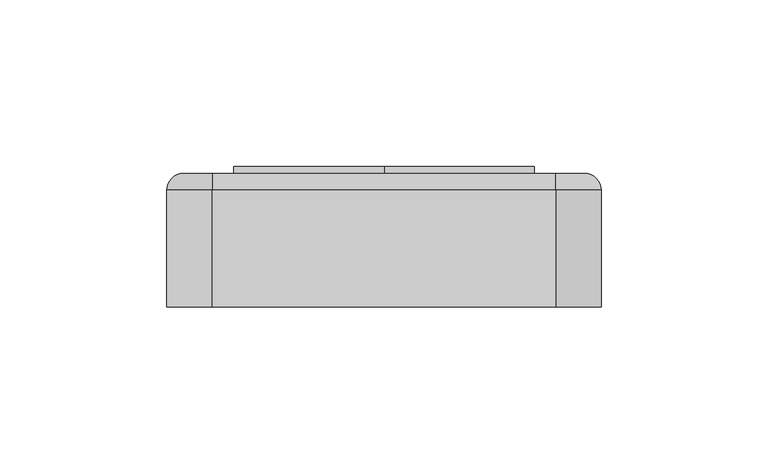
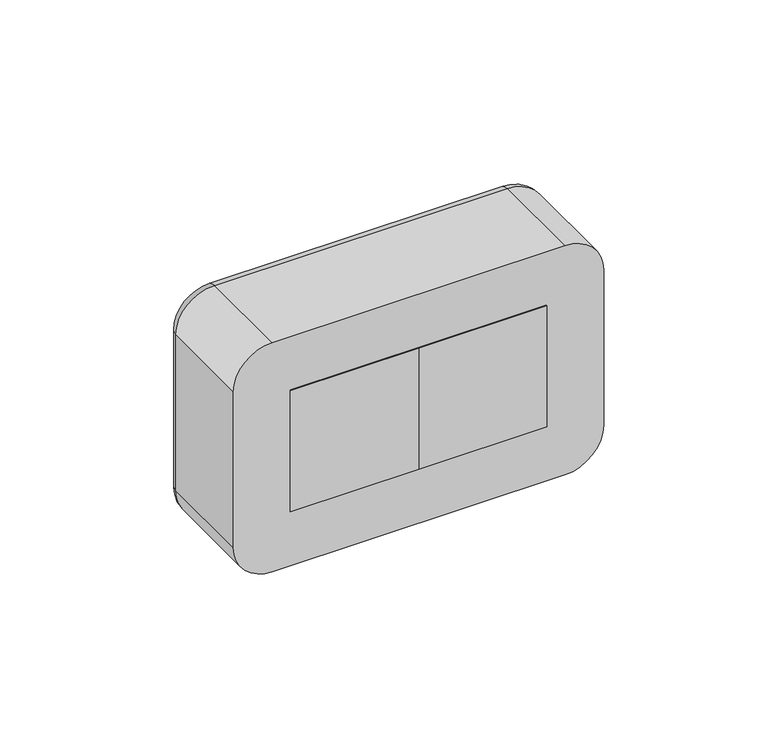
"""IFC4 building model written with IfcOpenShell, lengths in millimetres: proxy geometry."""

import ifcopenshell
import ifcopenshell.guid

model = None  # the IFC model being written
_history = None  # IfcOwnerHistory: only IFC2X3 demands one
_inside = {}  # id of a spatial element -> (the spatial element, [elements in it])
_under = {}  # id of a project, library or spatial element -> (it, [spatial elements below it])
_declared = {}  # id of a project -> (the project, [libraries it declares])
_typed = {}  # id of a type object -> (the type object, [elements of that type])
_made_of = {}  # id of a material, layer set ... -> (it, [elements and type objects made of it])


def new_model(schema):
    """Start an empty IFC model of exactly this schema.

    Asked for "IFC4X3", IfcOpenShell would pick the latest addendum, in which some entities
    have other attributes; the version numbers below select the first issue.
    IFC2X3 requires an IfcOwnerHistory on every rooted entity: one is made here for all.
    """
    global model, _history
    if schema == "IFC4X3":
        model = ifcopenshell.file(schema_version=(4, 3, 0, 0))
    else:
        model = ifcopenshell.file(schema=schema)
    _inside.clear()
    _under.clear()
    _declared.clear()
    _typed.clear()
    _made_of.clear()
    _history = None
    if model.schema == "IFC2X3":
        org = make("IfcOrganization", Name="unknown")
        user = make(
            "IfcPersonAndOrganization",
            ThePerson=make("IfcPerson", FamilyName="unknown"),
            TheOrganization=org,
        )
        app = make(
            "IfcApplication",
            ApplicationDeveloper=org,
            Version="unknown",
            ApplicationFullName="unknown",
            ApplicationIdentifier="unknown",
        )
        _history = make(
            "IfcOwnerHistory",
            OwningUser=user,
            OwningApplication=app,
            ChangeAction="ADDED",
            CreationDate=0,
        )
    return model


def make(cls, **values):
    """One entity of the class cls with the attributes given. An attribute that is None is left unset."""
    return model.create_entity(
        cls, **{name: value for name, value in values.items() if value is not None}
    )


def rooted(cls, **values):
    """An entity with a GlobalId (a new one), such as an element, a storey or a relation."""
    return make(cls, GlobalId=ifcopenshell.guid.new(), OwnerHistory=_history, **values)


def si_unit(unit_type, name, prefix=None):
    """IfcSIUnit, for example si_unit("LENGTHUNIT", "METRE", prefix="MILLI")."""
    return make("IfcSIUnit", UnitType=unit_type, Prefix=prefix, Name=name)


def assignment(units):
    """IfcUnitAssignment: the units of a project."""
    return None if units is None else make("IfcUnitAssignment", Units=units)


def point(xyz):
    """IfcCartesianPoint."""
    return None if xyz is None else make("IfcCartesianPoint", Coordinates=xyz)


def direction(xyz):
    """IfcDirection."""
    return None if xyz is None else make("IfcDirection", DirectionRatios=xyz)


def frame(location, z_axis=None, x_axis=None):
    """IfcAxis2Placement3D, a coordinate frame: its origin and axes. An axis left out is left unset."""
    return make(
        "IfcAxis2Placement3D",
        Location=point(location),
        Axis=direction(z_axis),
        RefDirection=direction(x_axis),
    )


def frame_2d(location, x_axis=None):
    """IfcAxis2Placement2D, a coordinate frame in the plane: its origin and x axis."""
    return make(
        "IfcAxis2Placement2D", Location=point(location), RefDirection=direction(x_axis)
    )


def origin():
    """The frame at (0, 0, 0) with its axes left unset."""
    return frame((0.0, 0.0, 0.0))


def place(relative_to, where):
    """IfcLocalPlacement: puts the frame where relative to a parent placement (None: the world)."""
    return make(
        "IfcLocalPlacement", PlacementRelTo=relative_to, RelativePlacement=where
    )


def context(
    kind, dimensions, precision=None, world=None, true_north=None, identifier=None
):
    """IfcGeometricRepresentationContext, for example the 3D "Model" context."""
    return make(
        "IfcGeometricRepresentationContext",
        ContextIdentifier=identifier,
        ContextType=kind,
        CoordinateSpaceDimension=dimensions,
        Precision=precision,
        WorldCoordinateSystem=world,
        TrueNorth=true_north,
    )


def project(units=None, contexts=None):
    """IfcProject with its units and contexts."""
    return rooted(
        "IfcProject",
        Name="project",
        RepresentationContexts=contexts,
        UnitsInContext=assignment(units),
    )


def spatial(cls, under=None, at=None, **own):
    """A site, building, storey or space (cls), placed at a placement, below another one or the project."""
    s = rooted(cls, ObjectPlacement=at, **own)
    if under is not None:
        _under.setdefault(under.id(), (under, []))[1].append(s)
    return s


def polyline(points):
    """IfcPolyline through the points."""
    return make("IfcPolyline", Points=[point(p) for p in points])


def circle_curve(where, radius):
    """IfcCircle in the frame where."""
    return make("IfcCircle", Position=where, Radius=radius)


def ellipse_curve(where, semi_axis1, semi_axis2):
    """IfcEllipse in the frame where."""
    return make(
        "IfcEllipse", Position=where, SemiAxis1=semi_axis1, SemiAxis2=semi_axis2
    )


def trimmed(basis, trim1, trim2, sense, master):
    """IfcTrimmedCurve: the piece of a basis curve between two trims."""
    return make(
        "IfcTrimmedCurve",
        BasisCurve=basis,
        Trim1=trim1,
        Trim2=trim2,
        SenseAgreement=sense,
        MasterRepresentation=master,
    )


def segment(curve, same_sense, transition):
    """IfcCompositeCurveSegment."""
    return make(
        "IfcCompositeCurveSegment",
        Transition=transition,
        SameSense=same_sense,
        ParentCurve=curve,
    )


def composite_curve(segments, self_intersect=None):
    """IfcCompositeCurve: segments joined end to end."""
    return make("IfcCompositeCurve", Segments=segments, SelfIntersect=self_intersect)


def outline(outer, holes=None, kind="AREA"):
    """IfcArbitraryClosedProfileDef: a profile drawn as a closed curve; with holes, ...WithVoids."""
    if holes is None:
        return make("IfcArbitraryClosedProfileDef", ProfileType=kind, OuterCurve=outer)
    return make(
        "IfcArbitraryProfileDefWithVoids",
        ProfileType=kind,
        OuterCurve=outer,
        InnerCurves=holes,
    )


def extrude(swept, where, along, depth):
    """IfcExtrudedAreaSolid: the profile swept, set in the frame where, extruded along a direction by depth."""
    return make(
        "IfcExtrudedAreaSolid",
        SweptArea=swept,
        Position=where,
        ExtrudedDirection=direction(along),
        Depth=depth,
    )


def shape(context_of_items, identifier, shape_type, items):
    """IfcShapeRepresentation: the items that make up one representation, for example the "Body"."""
    return make(
        "IfcShapeRepresentation",
        ContextOfItems=context_of_items,
        RepresentationIdentifier=identifier,
        RepresentationType=shape_type,
        Items=items,
    )


def source(mapping_origin, context_of_items, identifier, shape_type, items):
    """IfcRepresentationMap: a shape defined once, which mapped items show again and again."""
    return make(
        "IfcRepresentationMap",
        MappingOrigin=mapping_origin,
        MappedRepresentation=shape(context_of_items, identifier, shape_type, items),
    )


def transform(
    local_origin,
    x_axis=None,
    y_axis=None,
    z_axis=None,
    scale=None,
    scale2=None,
    scale3=None,
    uniform=True,
):
    """IfcCartesianTransformationOperator3D, or its non-uniform kind. x_axis, y_axis, z_axis: its Axis1, 2, 3."""
    if uniform:
        return make(
            "IfcCartesianTransformationOperator3D",
            Axis1=direction(x_axis),
            Axis2=direction(y_axis),
            LocalOrigin=point(local_origin),
            Scale=scale,
            Axis3=direction(z_axis),
        )
    return make(
        "IfcCartesianTransformationOperator3DnonUniform",
        Axis1=direction(x_axis),
        Axis2=direction(y_axis),
        LocalOrigin=point(local_origin),
        Scale=scale,
        Axis3=direction(z_axis),
        Scale2=scale2,
        Scale3=scale3,
    )


def mapped(mapping_source, mapping_target):
    """IfcMappedItem: shows the shape of a source again, moved by a transform."""
    return make(
        "IfcMappedItem", MappingSource=mapping_source, MappingTarget=mapping_target
    )


def made_of(thing, what):
    """Note that an element or type object is made of a material, layer set ...; save() writes the relation."""
    if what is not None:
        _made_of.setdefault(what.id(), (what, []))[1].append(thing)
    return thing


def element(
    cls,
    number,
    at=None,
    inside=None,
    cuts=None,
    type_object=None,
    material=None,
    context=None,
    identifier="Body",
    shape_type=None,
    held_by="IfcProductDefinitionShape",
    body=None,
    shapes=None,
    **own,
):
    """One element of the class cls, such as IfcWall. Its Tag is "e" and its number.

    at: its placement. inside: the storey or other place that contains it. cuts: it is an
    opening in that element (IfcRelVoidsElement). A single representation is given by context,
    identifier, shape_type and body (its items); several are given by shapes. held_by: the class
    of the entity that holds the representations. save() writes the other relations.
    """
    e = rooted(cls, Tag="e%d" % number, ObjectPlacement=at, **own)
    if body is not None:
        shapes = [shape(context, identifier, shape_type, body)]
    if shapes is not None:
        e.Representation = make(held_by, Representations=shapes)
    if inside is not None:
        _inside.setdefault(inside.id(), (inside, []))[1].append(e)
    if cuts is not None:
        rooted(
            "IfcRelVoidsElement", RelatingBuildingElement=cuts, RelatedOpeningElement=e
        )
    if type_object is not None:
        _typed.setdefault(type_object.id(), (type_object, []))[1].append(e)
    return made_of(e, material)


def aggregate(whole, parts):
    """IfcRelAggregates: a whole, such as a stair, and the parts it consists of."""
    return rooted("IfcRelAggregates", RelatingObject=whole, RelatedObjects=parts)


def save(model, path):
    """Write the relations noted so far, then the file.

    IfcRelAggregates (storeys below a building ...), IfcRelContainedInSpatialStructure (elements
    in a storey), IfcRelDefinesByType, IfcRelAssociatesMaterial and IfcRelDeclares: one each for
    every whole, place, type object, material and project.
    """
    for whole, parts in _under.values():
        aggregate(whole, parts)
    for where, things in _inside.values():
        rooted(
            "IfcRelContainedInSpatialStructure",
            RelatedElements=things,
            RelatingStructure=where,
        )
    for kind, things in _typed.values():
        rooted("IfcRelDefinesByType", RelatedObjects=things, RelatingType=kind)
    for what, things in _made_of.values():
        rooted("IfcRelAssociatesMaterial", RelatedObjects=things, RelatingMaterial=what)
    for by, libraries in _declared.values():
        rooted("IfcRelDeclares", RelatingContext=by, RelatedDefinitions=libraries)
    model.write(path)


def plane_surface(at):
    """IfcPlane: the flat surface through the origin of the frame at, square to its z axis."""
    return make("IfcPlane", Position=at)


def cylinder_surface(at, radius):
    """IfcCylindricalSurface: all points at the distance radius from the z axis of the frame at."""
    return make("IfcCylindricalSurface", Position=at, Radius=radius)


def revolved_surface(curve, axis_point, axis_direction):
    """IfcSurfaceOfRevolution: the curve turned about the line through axis_point along axis_direction."""
    return make(
        "IfcSurfaceOfRevolution",
        SweptCurve=make("IfcArbitraryOpenProfileDef", ProfileType="CURVE", Curve=curve),
        AxisPosition=make("IfcAxis1Placement", Location=point(axis_point), Axis=direction(axis_direction)),
    )


def advanced_brep(points, edges, surfaces, faces):
    """IfcAdvancedBrep: a solid bounded by faces that lie on surfaces and meet in shared edges.

    An edge is (start, end): straight between two places in points (the first is 0);
    or (start, end, curve); or (start, end, curve, False) where it runs against its curve.
    A face is (place in surfaces, loops), or (place, loops, False) where it looks against
    its surface's normal. A loop lists edges by number (the first is 1), with a minus sign
    where the edge is run from its end to its start. The first loop is the outer one.
    """
    corners = [point(p) for p in points]
    vertices = [make("IfcVertexPoint", VertexGeometry=c) for c in corners]
    made = []
    for start, end, *more in edges:
        made.append(
            make(
                "IfcEdgeCurve",
                EdgeStart=vertices[start],
                EdgeEnd=vertices[end],
                EdgeGeometry=more[0] if more else make("IfcPolyline", Points=[corners[start], corners[end]]),
                SameSense=more[1] if len(more) > 1 else True,
            )
        )
    hull = []
    for where, loops, *sense in faces:
        bounds = []
        for j, loop in enumerate(loops):
            ring = [make("IfcOrientedEdge", EdgeElement=made[abs(k) - 1], Orientation=k > 0) for k in loop]
            bounds.append(
                make(
                    "IfcFaceOuterBound" if j == 0 else "IfcFaceBound",
                    Bound=make("IfcEdgeLoop", EdgeList=ring),
                    Orientation=True,
                )
            )
        hull.append(make("IfcAdvancedFace", Bounds=bounds, FaceSurface=surfaces[where], SameSense=sense[0] if sense else True))
    return make("IfcAdvancedBrep", Outer=make("IfcClosedShell", CfsFaces=hull))


def electrical_fixtures_298b66da(model_context):
    return source(origin(), model_context, "Body", "SolidModel", [
        advanced_brep(
        [(0.0, 40.0, 22.5), (0.0, 40.0, -22.5), (-45.0, 40.0, -22.5), (-45.0, 40.0, 22.5), (-40.5, 40.0, 0.0), (-4.5, 40.0, 0.0), (0.0, 32.0, 22.5), (-45.0, 32.0, 22.5), (-45.0, 32.0, -22.5), (0.0, 32.0, -22.5), (-29.5, 32.0, 0.0), (-34.5, 32.0, 0.0), (-10.5, 32.0, 0.0), (-15.5, 32.0, 0.0), (-40.5, 33.0, 0.0), (-4.5, 33.0, 0.0), (-34.5, 33.0, 0.0), (-29.5, 33.0, 0.0), (-15.5, 33.0, 0.0), (-10.5, 33.0, 0.0)],
        [
            (0, 1),
            (1, 2),
            (2, 3),
            (3, 0),
            (4, 5, circle_curve(frame((-22.5, 40.0, 0.0), z_axis=(0.0, -1.0, 0.0), x_axis=(1.0, 0.0, 0.0)), 18.0)),
            (5, 4, circle_curve(frame((-22.5, 40.0, 0.0), z_axis=(0.0, -1.0, 0.0), x_axis=(1.0, 0.0, 0.0)), 18.0)),
            (6, 7),
            (7, 8),
            (8, 9),
            (9, 6),
            (10, 11, circle_curve(frame((-32.0, 32.0, 0.0), z_axis=(0.0, 1.0, 0.0), x_axis=(1.0, 0.0, 0.0)), 2.5)),
            (11, 10, circle_curve(frame((-32.0, 32.0, 0.0), z_axis=(0.0, 1.0, 0.0), x_axis=(1.0, 0.0, 0.0)), 2.5)),
            (12, 13, circle_curve(frame((-13.0, 32.0, 0.0), z_axis=(0.0, 1.0, 0.0), x_axis=(1.0, 0.0, 0.0)), 2.5)),
            (13, 12, circle_curve(frame((-13.0, 32.0, 0.0), z_axis=(0.0, 1.0, 0.0), x_axis=(1.0, 0.0, 0.0)), 2.5)),
            (3, 7),
            (6, 0),
            (2, 8),
            (1, 9),
            (14, 15, circle_curve(frame((-22.5, 33.0, 0.0), z_axis=(0.0, 1.0, 0.0), x_axis=(1.0, 0.0, 0.0)), 18.0)),
            (15, 14, circle_curve(frame((-22.5, 33.0, 0.0), z_axis=(0.0, 1.0, 0.0), x_axis=(1.0, 0.0, 0.0)), 18.0)),
            (16, 17, circle_curve(frame((-32.0, 33.0, 0.0), z_axis=(0.0, -1.0, 0.0), x_axis=(1.0, 0.0, 0.0)), 2.5)),
            (17, 16, circle_curve(frame((-32.0, 33.0, 0.0), z_axis=(0.0, -1.0, 0.0), x_axis=(1.0, 0.0, 0.0)), 2.5)),
            (18, 19, circle_curve(frame((-13.0, 33.0, 0.0), z_axis=(0.0, -1.0, 0.0), x_axis=(1.0, 0.0, 0.0)), 2.5)),
            (19, 18, circle_curve(frame((-13.0, 33.0, 0.0), z_axis=(0.0, -1.0, 0.0), x_axis=(1.0, 0.0, 0.0)), 2.5)),
            (15, 5),
            (4, 14),
            (10, 17),
            (16, 11),
            (12, 19),
            (18, 13),
        ],
        [
            plane_surface(frame((-61.5, 40.0, 22.5), z_axis=(0.0, 1.0, 0.0), x_axis=(1.0, 0.0, 0.0))),
            plane_surface(frame((-61.5, 32.0, 22.5), z_axis=(0.0, -1.0, 0.0), x_axis=(-1.0, 0.0, 0.0))),
            plane_surface(frame((0.0, 32.0, 22.5), z_axis=(0.0, 0.0, 1.0), x_axis=(0.0, 1.0, 0.0))),
            plane_surface(frame((-45.0, 32.0, 22.5), z_axis=(-1.0, 0.0, 0.0), x_axis=(0.0, 1.0, 0.0))),
            plane_surface(frame((-45.0, 32.0, -22.5), z_axis=(0.0, 0.0, -1.0), x_axis=(0.0, 1.0, 0.0))),
            plane_surface(frame((0.0, 32.0, -22.5), z_axis=(1.0, 0.0, 0.0), x_axis=(0.0, 1.0, 0.0))),
            plane_surface(frame((-4.5, 33.0, 0.0), z_axis=(0.0, 1.0, 0.0), x_axis=(0.0, 0.0, 1.0))),
            revolved_surface(polyline([(-4.5, 33.0, 0.0), (-4.5, 40.0, 0.0)]), (-22.5, 40.0, 0.0), (0.0, -1.0, 0.0)),
            revolved_surface(polyline([(-29.5, 32.0, 0.0), (-29.5, 33.0, 0.0)]), (-32.0, 33.0, 0.0), (0.0, -1.0, 0.0)),
            revolved_surface(polyline([(-10.5, 32.0, 0.0), (-10.5, 33.0, 0.0)]), (-13.0, 32.0, 0.0), (0.0, -1.0, 0.0)),
        ],
        [
            (0, [[1, 2, 3, 4], [5, 6]]),
            (1, [[7, 8, 9, 10], [11, 12], [13, 14]]),
            (2, [[-4, 15, -7, 16]]),
            (3, [[-3, 17, -8, -15]]),
            (4, [[-2, 18, -9, -17]]),
            (5, [[-1, -16, -10, -18]]),
            (6, [[19, 20], [21, 22], [23, 24]]),
            (7, [[-20, 25, -5, 26]]),
            (7, [[-19, -26, -6, -25]]),
            (8, [[27, -21, 28, -11]]),
            (8, [[-27, -12, -28, -22]]),
            (9, [[29, -23, 30, -13]]),
            (9, [[-29, -14, -30, -24]]),
        ],
    ),
        extrude(outline(polyline([(0.0, 0.0), (-45.0, 0.0), (-45.0, 32.0), (0.0, 32.0), (0.0, 0.0)])), frame((0.0, 0.0, -22.5), z_axis=(0.0, 0.0, 1.0), x_axis=(1.0, 0.0, 0.0)), (0.0, 0.0, 1.0), 45.0),
        extrude(outline(polyline([(0.0, 40.0), (-45.0, 40.0), (-45.0, 42.0), (0.0, 42.0), (0.0, 40.0)])), frame((0.0, 0.0, -22.5), z_axis=(0.0, 0.0, 1.0), x_axis=(1.0, 0.0, 0.0)), (0.0, 0.0, 1.0), 45.0),
        extrude(outline(composite_curve([segment(polyline([(-16.0, -24.0), (-17.9373911, -24.0)]), True, "CONTINUOUS"), segment(trimmed(circle_curve(frame_2d((0.0, -22.5)), 18.0), [point((-17.9373911, -24.0))], [point((-17.9373911, -21.0))], False, "CARTESIAN"), True, "CONTINUOUS"), segment(polyline([(-17.9373911, -21.0), (-16.0, -21.0), (-16.0, -24.0)]), True, "CONTINUOUS")], self_intersect=False)), frame((0.0, 33.0, 0.0), z_axis=(0.0, 1.0, 0.0), x_axis=(0.0, 0.0, 1.0)), (0.0, 0.0, 1.0), 6.0),
        extrude(outline(composite_curve([segment(polyline([(16.0, -24.0), (16.0, -21.0), (17.9373911, -21.0)]), True, "CONTINUOUS"), segment(trimmed(circle_curve(frame_2d((0.0, -22.5)), 18.0), [point((17.9373911, -21.0))], [point((17.9373911, -24.0))], False, "CARTESIAN"), True, "CONTINUOUS"), segment(polyline([(17.9373911, -24.0), (16.0, -24.0)]), True, "CONTINUOUS")], self_intersect=False)), frame((0.0, 33.0, 0.0), z_axis=(0.0, 1.0, 0.0), x_axis=(0.0, 0.0, 1.0)), (0.0, 0.0, 1.0), 6.0),
        extrude(outline(composite_curve([segment(polyline([(8.2462113, -6.5), (2.0, -6.5), (2.0, -4.6114562)]), True, "CONTINUOUS"), segment(trimmed(circle_curve(frame_2d((0.0, -22.5)), 18.0), [point((2.0, -4.6114562))], [point((8.2462113, -6.5))], False, "CARTESIAN"), True, "CONTINUOUS")], self_intersect=False)), frame((0.0, 33.0, 0.0), z_axis=(0.0, 1.0, 0.0), x_axis=(0.0, 0.0, 1.0)), (0.0, 0.0, 1.0), 6.0),
        extrude(outline(composite_curve([segment(trimmed(circle_curve(frame_2d((0.0, -22.5)), 18.0), [point((-8.2462113, -6.5))], [point((-2.0, -4.6114562))], False, "CARTESIAN"), True, "CONTINUOUS"), segment(polyline([(-2.0, -4.6114562), (-2.0, -6.5), (-8.2462113, -6.5)]), True, "CONTINUOUS")], self_intersect=False)), frame((0.0, 33.0, 0.0), z_axis=(0.0, 1.0, 0.0), x_axis=(0.0, 0.0, 1.0)), (0.0, 0.0, 1.0), 6.0),
        extrude(outline(composite_curve([segment(polyline([(-8.2462113, -38.5), (-2.0, -38.5), (-2.0, -40.3885438)]), True, "CONTINUOUS"), segment(trimmed(circle_curve(frame_2d((0.0, -22.5)), 18.0), [point((-2.0, -40.3885438))], [point((-8.2462113, -38.5))], False, "CARTESIAN"), True, "CONTINUOUS")], self_intersect=False)), frame((0.0, 33.0, 0.0), z_axis=(0.0, 1.0, 0.0), x_axis=(0.0, 0.0, 1.0)), (0.0, 0.0, 1.0), 6.0),
        extrude(outline(composite_curve([segment(trimmed(circle_curve(frame_2d((0.0, -22.5)), 18.0), [point((8.2462113, -38.5))], [point((2.0, -40.3885438))], False, "CARTESIAN"), True, "CONTINUOUS"), segment(polyline([(2.0, -40.3885438), (2.0, -38.5), (8.2462113, -38.5)]), True, "CONTINUOUS")], self_intersect=False)), frame((0.0, 33.0, 0.0), z_axis=(0.0, 1.0, 0.0), x_axis=(0.0, 0.0, 1.0)), (0.0, 0.0, 1.0), 6.0),
        advanced_brep(
        [(45.0, 40.0, 22.5), (45.0, 40.0, -22.5), (0.0, 40.0, -22.5), (0.0, 40.0, 22.5), (4.5, 40.0, 0.0), (40.5, 40.0, 0.0), (45.0, 32.0, 22.5), (0.0, 32.0, 22.5), (0.0, 32.0, -22.5), (45.0, 32.0, -22.5), (15.5, 32.0, 0.0), (10.5, 32.0, 0.0), (34.5, 32.0, 0.0), (29.5, 32.0, 0.0), (4.5, 33.0, 0.0), (40.5, 33.0, 0.0), (10.5, 33.0, 0.0), (15.5, 33.0, 0.0), (29.5, 33.0, 0.0), (34.5, 33.0, 0.0)],
        [
            (0, 1),
            (1, 2),
            (2, 3),
            (3, 0),
            (4, 5, circle_curve(frame((22.5, 40.0, 0.0), z_axis=(0.0, -1.0, 0.0), x_axis=(1.0, 0.0, 0.0)), 18.0)),
            (5, 4, circle_curve(frame((22.5, 40.0, 0.0), z_axis=(0.0, -1.0, 0.0), x_axis=(1.0, 0.0, 0.0)), 18.0)),
            (6, 7),
            (7, 8),
            (8, 9),
            (9, 6),
            (10, 11, circle_curve(frame((13.0, 32.0, 0.0), z_axis=(0.0, 1.0, 0.0), x_axis=(1.0, 0.0, 0.0)), 2.5)),
            (11, 10, circle_curve(frame((13.0, 32.0, 0.0), z_axis=(0.0, 1.0, 0.0), x_axis=(1.0, 0.0, 0.0)), 2.5)),
            (12, 13, circle_curve(frame((32.0, 32.0, 0.0), z_axis=(0.0, 1.0, 0.0), x_axis=(1.0, 0.0, 0.0)), 2.5)),
            (13, 12, circle_curve(frame((32.0, 32.0, 0.0), z_axis=(0.0, 1.0, 0.0), x_axis=(1.0, 0.0, 0.0)), 2.5)),
            (3, 7),
            (6, 0),
            (2, 8),
            (1, 9),
            (14, 15, circle_curve(frame((22.5, 33.0, 0.0), z_axis=(0.0, 1.0, 0.0), x_axis=(1.0, 0.0, 0.0)), 18.0)),
            (15, 14, circle_curve(frame((22.5, 33.0, 0.0), z_axis=(0.0, 1.0, 0.0), x_axis=(1.0, 0.0, 0.0)), 18.0)),
            (16, 17, circle_curve(frame((13.0, 33.0, 0.0), z_axis=(0.0, -1.0, 0.0), x_axis=(1.0, 0.0, 0.0)), 2.5)),
            (17, 16, circle_curve(frame((13.0, 33.0, 0.0), z_axis=(0.0, -1.0, 0.0), x_axis=(1.0, 0.0, 0.0)), 2.5)),
            (18, 19, circle_curve(frame((32.0, 33.0, 0.0), z_axis=(0.0, -1.0, 0.0), x_axis=(1.0, 0.0, 0.0)), 2.5)),
            (19, 18, circle_curve(frame((32.0, 33.0, 0.0), z_axis=(0.0, -1.0, 0.0), x_axis=(1.0, 0.0, 0.0)), 2.5)),
            (15, 5),
            (4, 14),
            (10, 17),
            (16, 11),
            (12, 19),
            (18, 13),
        ],
        [
            plane_surface(frame((-16.5, 40.0, 22.5), z_axis=(0.0, 1.0, 0.0), x_axis=(1.0, 0.0, 0.0))),
            plane_surface(frame((-16.5, 32.0, 22.5), z_axis=(0.0, -1.0, 0.0), x_axis=(-1.0, 0.0, 0.0))),
            plane_surface(frame((45.0, 32.0, 22.5), z_axis=(0.0, 0.0, 1.0), x_axis=(0.0, 1.0, 0.0))),
            plane_surface(frame((0.0, 32.0, 22.5), z_axis=(-1.0, 0.0, 0.0), x_axis=(0.0, 1.0, 0.0))),
            plane_surface(frame((0.0, 32.0, -22.5), z_axis=(0.0, 0.0, -1.0), x_axis=(0.0, 1.0, 0.0))),
            plane_surface(frame((45.0, 32.0, -22.5), z_axis=(1.0, 0.0, 0.0), x_axis=(0.0, 1.0, 0.0))),
            plane_surface(frame((40.5, 33.0, 0.0), z_axis=(0.0, 1.0, 0.0), x_axis=(0.0, 0.0, 1.0))),
            revolved_surface(polyline([(40.5, 33.0, 0.0), (40.5, 40.0, 0.0)]), (22.5, 40.0, 0.0), (0.0, -1.0, 0.0)),
            revolved_surface(polyline([(15.5, 32.0, 0.0), (15.5, 33.0, 0.0)]), (13.0, 33.0, 0.0), (0.0, -1.0, 0.0)),
            revolved_surface(polyline([(34.5, 32.0, 0.0), (34.5, 33.0, 0.0)]), (32.0, 32.0, 0.0), (0.0, -1.0, 0.0)),
        ],
        [
            (0, [[1, 2, 3, 4], [5, 6]]),
            (1, [[7, 8, 9, 10], [11, 12], [13, 14]]),
            (2, [[-4, 15, -7, 16]]),
            (3, [[-3, 17, -8, -15]]),
            (4, [[-2, 18, -9, -17]]),
            (5, [[-1, -16, -10, -18]]),
            (6, [[19, 20], [21, 22], [23, 24]]),
            (7, [[-20, 25, -5, 26]]),
            (7, [[-19, -26, -6, -25]]),
            (8, [[27, -21, 28, -11]]),
            (8, [[-27, -12, -28, -22]]),
            (9, [[29, -23, 30, -13]]),
            (9, [[-29, -14, -30, -24]]),
        ],
    ),
        extrude(outline(polyline([(45.0, 0.0), (0.0, 0.0), (0.0, 32.0), (45.0, 32.0), (45.0, 0.0)])), frame((0.0, 0.0, -22.5), z_axis=(0.0, 0.0, 1.0), x_axis=(1.0, 0.0, 0.0)), (0.0, 0.0, 1.0), 45.0),
        extrude(outline(polyline([(45.0, 40.0), (0.0, 40.0), (0.0, 42.0), (45.0, 42.0), (45.0, 40.0)])), frame((0.0, 0.0, -22.5), z_axis=(0.0, 0.0, 1.0), x_axis=(1.0, 0.0, 0.0)), (0.0, 0.0, 1.0), 45.0),
        extrude(outline(composite_curve([segment(polyline([(-16.0, 21.0), (-17.9373911, 21.0)]), True, "CONTINUOUS"), segment(trimmed(circle_curve(frame_2d((0.0, 22.5)), 18.0), [point((-17.9373911, 21.0))], [point((-17.9373911, 24.0))], False, "CARTESIAN"), True, "CONTINUOUS"), segment(polyline([(-17.9373911, 24.0), (-16.0, 24.0), (-16.0, 21.0)]), True, "CONTINUOUS")], self_intersect=False)), frame((0.0, 33.0, 0.0), z_axis=(0.0, 1.0, 0.0), x_axis=(0.0, 0.0, 1.0)), (0.0, 0.0, 1.0), 6.0),
        extrude(outline(composite_curve([segment(polyline([(16.0, 21.0), (16.0, 24.0), (17.9373911, 24.0)]), True, "CONTINUOUS"), segment(trimmed(circle_curve(frame_2d((0.0, 22.5)), 18.0), [point((17.9373911, 24.0))], [point((17.9373911, 21.0))], False, "CARTESIAN"), True, "CONTINUOUS"), segment(polyline([(17.9373911, 21.0), (16.0, 21.0)]), True, "CONTINUOUS")], self_intersect=False)), frame((0.0, 33.0, 0.0), z_axis=(0.0, 1.0, 0.0), x_axis=(0.0, 0.0, 1.0)), (0.0, 0.0, 1.0), 6.0),
        extrude(outline(composite_curve([segment(polyline([(8.2462113, 38.5), (2.0, 38.5), (2.0, 40.3885438)]), True, "CONTINUOUS"), segment(trimmed(circle_curve(frame_2d((0.0, 22.5)), 18.0), [point((2.0, 40.3885438))], [point((8.2462113, 38.5))], False, "CARTESIAN"), True, "CONTINUOUS")], self_intersect=False)), frame((0.0, 33.0, 0.0), z_axis=(0.0, 1.0, 0.0), x_axis=(0.0, 0.0, 1.0)), (0.0, 0.0, 1.0), 6.0),
        extrude(outline(composite_curve([segment(trimmed(circle_curve(frame_2d((0.0, 22.5)), 18.0), [point((-8.2462113, 38.5))], [point((-2.0, 40.3885438))], False, "CARTESIAN"), True, "CONTINUOUS"), segment(polyline([(-2.0, 40.3885438), (-2.0, 38.5), (-8.2462113, 38.5)]), True, "CONTINUOUS")], self_intersect=False)), frame((0.0, 33.0, 0.0), z_axis=(0.0, 1.0, 0.0), x_axis=(0.0, 0.0, 1.0)), (0.0, 0.0, 1.0), 6.0),
        extrude(outline(composite_curve([segment(polyline([(-8.2462113, 6.5), (-2.0, 6.5), (-2.0, 4.6114562)]), True, "CONTINUOUS"), segment(trimmed(circle_curve(frame_2d((0.0, 22.5)), 18.0), [point((-2.0, 4.6114562))], [point((-8.2462113, 6.5))], False, "CARTESIAN"), True, "CONTINUOUS")], self_intersect=False)), frame((0.0, 33.0, 0.0), z_axis=(0.0, 1.0, 0.0), x_axis=(0.0, 0.0, 1.0)), (0.0, 0.0, 1.0), 6.0),
        extrude(outline(composite_curve([segment(trimmed(circle_curve(frame_2d((0.0, 22.5)), 18.0), [point((8.2462113, 6.5))], [point((2.0, 4.6114562))], False, "CARTESIAN"), True, "CONTINUOUS"), segment(polyline([(2.0, 4.6114562), (2.0, 6.5), (8.2462113, 6.5)]), True, "CONTINUOUS")], self_intersect=False)), frame((0.0, 33.0, 0.0), z_axis=(0.0, 1.0, 0.0), x_axis=(0.0, 0.0, 1.0)), (0.0, 0.0, 1.0), 6.0),
        advanced_brep(
        [(51.4328665, 40.0, 37.5), (60.0, 40.0, 28.9328665), (60.0, 40.0, -28.9328665), (51.4328665, 40.0, -37.5), (-51.4328665, 40.0, -37.5), (-60.0, 40.0, -28.9328665), (-60.0, 40.0, 28.9328665), (-51.4328665, 40.0, 37.5), (45.0, 40.0, 22.5), (-45.0, 40.0, 22.5), (-45.0, 40.0, -22.5), (45.0, 40.0, -22.5), (-51.4328665, 0.0, 42.5), (-65.0, 0.0, 28.9328665), (-65.0, 0.0, -28.9328665), (-51.4328665, 0.0, -42.5), (51.4328665, 0.0, -42.5), (65.0, 0.0, -28.9328665), (65.0, 0.0, 28.9328665), (51.4328665, 0.0, 42.5), (45.0, 2.0, -22.5), (45.0, 2.0, 22.5), (-45.0, 2.0, -22.5), (-45.0, 2.0, 22.5), (-65.0, 35.0, 28.9328665), (-65.0, 35.0, -28.9328665), (-51.4328665, 35.0, -42.5), (51.4328665, 35.0, -42.5), (65.0, 35.0, -28.9328665), (65.0, 35.0, 28.9328665), (51.4328665, 35.0000072, 42.5), (-51.4328665, 35.0, 42.5)],
        [
            (0, 1, circle_curve(frame((51.4328665, 40.0, 28.9328665), z_axis=(0.0, 1.0, 0.0), x_axis=(0.0, 0.0, 1.0)), 8.5671335)),
            (1, 2),
            (2, 3, circle_curve(frame((51.4328665, 40.0, -28.9328665), z_axis=(0.0, 1.0, 0.0), x_axis=(1.0, 0.0, 0.0)), 8.5671335)),
            (3, 4),
            (4, 5, circle_curve(frame((-51.4328665, 40.0, -28.9328665), z_axis=(0.0, 1.0, 0.0), x_axis=(0.0, 0.0, -1.0)), 8.5671335)),
            (5, 6),
            (6, 7, circle_curve(frame((-51.4328665, 40.0, 28.9328665), z_axis=(0.0, 1.0, 0.0), x_axis=(-1.0, 0.0, 0.0)), 8.5671335)),
            (7, 0),
            (8, 9),
            (9, 10),
            (10, 11),
            (11, 8),
            (12, 13, circle_curve(frame((-51.4328665, 0.0, 28.9328665), z_axis=(0.0, -1.0, 0.0), x_axis=(1.0, 0.0, 0.0)), 13.5671335)),
            (13, 14),
            (14, 15, circle_curve(frame((-51.4328665, 0.0, -28.9328665), z_axis=(0.0, -1.0, 0.0), x_axis=(1.0, 0.0, 0.0)), 13.5671335)),
            (15, 16),
            (16, 17, circle_curve(frame((51.4328665, 0.0, -28.9328665), z_axis=(0.0, -1.0, 0.0), x_axis=(1.0, 0.0, 0.0)), 13.5671335)),
            (17, 18),
            (18, 19, circle_curve(frame((51.4328665, 0.0, 28.9328665), z_axis=(0.0, -1.0, 0.0), x_axis=(1.0, 0.0, 0.0)), 13.5671335)),
            (19, 12),
            (11, 20),
            (20, 21),
            (21, 8),
            (10, 22),
            (22, 20),
            (9, 23),
            (23, 22),
            (21, 23),
            (13, 24),
            (24, 25),
            (25, 14),
            (15, 26),
            (26, 27),
            (27, 16),
            (17, 28),
            (28, 29),
            (29, 18),
            (19, 30),
            (30, 31),
            (31, 12),
            (31, 24, circle_curve(frame((-51.4328665, 35.0, 28.9328665), z_axis=(0.0, -1.0, 0.0), x_axis=(1.0, 0.0, 0.0)), 13.5671335)),
            (25, 26, circle_curve(frame((-51.4328665, 35.0, -28.9328665), z_axis=(0.0, -1.0, 0.0), x_axis=(1.0, 0.0, 0.0)), 13.5671335)),
            (27, 28, circle_curve(frame((51.4328665, 35.0, -28.9328665), z_axis=(0.0, -1.0, 0.0), x_axis=(1.0, 0.0, 0.0)), 13.5671335)),
            (29, 30, circle_curve(frame((51.4328665, 35.0, 28.9328665), z_axis=(0.0, -1.0, 0.0), x_axis=(1.0, 0.0, 0.0)), 13.5671335)),
            (29, 1, circle_curve(frame((60.0, 35.0, 28.9328665), z_axis=(0.0, 0.0, 1.0), x_axis=(0.0, 1.0, 0.0)), 5.0)),
            (0, 30, circle_curve(frame((51.4328665, 35.0, 37.5), z_axis=(1.0, 0.0, 0.0), x_axis=(0.0, 1.0, 0.0)), 5.0)),
            (28, 2, circle_curve(frame((60.0, 35.0, -28.9328665), z_axis=(0.0, 0.0, 1.0), x_axis=(0.0, 1.0, 0.0)), 5.0)),
            (27, 3, circle_curve(frame((51.4328665, 35.0, -37.5), z_axis=(1.0, 0.0, 0.0), x_axis=(0.0, 1.0, 0.0)), 5.0)),
            (26, 4, circle_curve(frame((-51.4328665, 35.0, -37.5), z_axis=(1.0, 0.0, 0.0), x_axis=(0.0, 1.0, 0.0)), 5.0)),
            (25, 5, circle_curve(frame((-60.0, 35.0, -28.9328665), z_axis=(0.0, 0.0, -1.0), x_axis=(0.0, 1.0, 0.0)), 5.0)),
            (24, 6, circle_curve(frame((-60.0, 35.0, 28.9328665), z_axis=(0.0, 0.0, -1.0), x_axis=(0.0, 1.0, 0.0)), 5.0)),
            (31, 7, circle_curve(frame((-51.4328665, 35.0, 37.5), z_axis=(-1.0, 0.0, 0.0), x_axis=(0.0, 1.0, 0.0)), 5.0)),
        ],
        [
            plane_surface(frame((45.0, 40.0, 6.9412233), z_axis=(0.0, 1.0, 0.0), x_axis=(0.0, 0.0, 1.0))),
            plane_surface(frame((45.0, 0.0, 6.9412233), z_axis=(0.0, -1.0, 0.0), x_axis=(0.0, 0.0, -1.0))),
            plane_surface(frame((45.0, 0.0, 22.5), z_axis=(-1.0, 0.0, 0.0), x_axis=(0.0, 1.0, 0.0))),
            plane_surface(frame((45.0, 0.0, -22.5), z_axis=(0.0, 0.0, 1.0), x_axis=(0.0, 1.0, 0.0))),
            plane_surface(frame((-45.0, 0.0, -22.5), z_axis=(1.0, 0.0, 0.0), x_axis=(0.0, 1.0, 0.0))),
            plane_surface(frame((-45.0, 0.0, 22.5), z_axis=(0.0, 0.0, -1.0), x_axis=(0.0, 1.0, 0.0))),
            plane_surface(frame((-65.0, 0.0, 28.9328665), z_axis=(-1.0, 0.0, 0.0), x_axis=(0.0, 1.0, 0.0))),
            plane_surface(frame((-51.4328665, 0.0, -42.5), z_axis=(0.0, 0.0, -1.0), x_axis=(0.0, 1.0, 0.0))),
            plane_surface(frame((65.0, 0.0, -28.9328665), z_axis=(1.0, 0.0, 0.0), x_axis=(0.0, 1.0, 0.0))),
            plane_surface(frame((51.4328665, 0.0, 42.5), z_axis=(0.0, 0.0, 1.0), x_axis=(0.0, 1.0, 0.0))),
            cylinder_surface(frame((-51.4328665, 0.0, 28.9328665), z_axis=(0.0, -1.0, 0.0), x_axis=(1.0, 0.0, 0.0)), 13.5671335),
            cylinder_surface(frame((-51.4328665, 0.0, -28.9328665), z_axis=(0.0, -1.0, 0.0), x_axis=(1.0, 0.0, 0.0)), 13.5671335),
            cylinder_surface(frame((51.4328665, 0.0, -28.9328665), z_axis=(0.0, -1.0, 0.0), x_axis=(1.0, 0.0, 0.0)), 13.5671335),
            cylinder_surface(frame((51.4328665, 0.0, 28.9328665), z_axis=(0.0, -1.0, 0.0), x_axis=(1.0, 0.0, 0.0)), 13.5671335),
            plane_surface(frame((-45.0, 2.0, 22.5), z_axis=(0.0, 1.0, 0.0), x_axis=(0.0, 0.0, 1.0))),
            revolved_surface(trimmed(ellipse_curve(frame((51.4328665, 35.0, 37.5), z_axis=(-1.0, 0.0, 0.0), x_axis=(0.0, 1.0, 0.0)), 5.0, 5.0), [point((51.4328665, 35.0, 42.5))], [point((51.4328665, 40.0, 37.5))], True, "CARTESIAN"), (51.4328665, 40.0, 28.9328665), (0.0, 1.0, 0.0)),
            cylinder_surface(frame((60.0, 35.0, 28.9328665), z_axis=(0.0, 0.0, -1.0), x_axis=(0.0, 1.0, 0.0)), 5.0),
            revolved_surface(trimmed(ellipse_curve(frame((60.0, 35.0, -28.9328665), z_axis=(0.0, 0.0, 1.0), x_axis=(0.0, 1.0, 0.0)), 5.0, 5.0), [point((65.0, 35.0, -28.9328665))], [point((60.0, 40.0, -28.9328665))], True, "CARTESIAN"), (51.4328665, 40.0, -28.9328665), (0.0, 1.0, 0.0)),
            cylinder_surface(frame((51.4328665, 35.0, -37.5), z_axis=(-1.0, 0.0, 0.0), x_axis=(0.0, 1.0, 0.0)), 5.0),
            revolved_surface(trimmed(ellipse_curve(frame((-51.4328665, 35.0, -37.5), z_axis=(1.0, 0.0, 0.0), x_axis=(0.0, 1.0, 0.0)), 5.0, 5.0), [point((-51.4328665, 35.0, -42.5))], [point((-51.4328665, 40.0, -37.5))], True, "CARTESIAN"), (-51.4328665, 40.0, -28.9328665), (0.0, 1.0, 0.0)),
            cylinder_surface(frame((-60.0, 35.0, -28.9328665), z_axis=(0.0, 0.0, 1.0), x_axis=(0.0, 1.0, 0.0)), 5.0),
            revolved_surface(trimmed(ellipse_curve(frame((-60.0, 35.0, 28.9328665), z_axis=(0.0, 0.0, -1.0), x_axis=(0.0, 1.0, 0.0)), 5.0, 5.0), [point((-65.0, 35.0, 28.9328665))], [point((-60.0, 40.0, 28.9328665))], True, "CARTESIAN"), (-51.4328665, 40.0, 28.9328665), (0.0, 1.0, 0.0)),
            cylinder_surface(frame((-51.4328665, 35.0, 37.5), z_axis=(1.0, 0.0, 0.0), x_axis=(0.0, 1.0, 0.0)), 5.0),
        ],
        [
            (0, [[1, 2, 3, 4, 5, 6, 7, 8], [9, 10, 11, 12]]),
            (1, [[13, 14, 15, 16, 17, 18, 19, 20]]),
            (2, [[-12, 21, 22, 23]]),
            (3, [[-11, 24, 25, -21]]),
            (4, [[-10, 26, 27, -24]]),
            (5, [[-9, -23, 28, -26]]),
            (6, [[-14, 29, 30, 31]]),
            (7, [[-16, 32, 33, 34]]),
            (8, [[-18, 35, 36, 37]]),
            (9, [[-20, 38, 39, 40]]),
            (10, [[-13, -40, 41, -29]]),
            (11, [[-15, -31, 42, -32]]),
            (12, [[-17, -34, 43, -35]]),
            (13, [[-19, -37, 44, -38]]),
            (14, [[-22, -25, -27, -28]]),
            (15, [[45, -1, 46, -44]]),
            (16, [[-45, -36, 47, -2]]),
            (17, [[-47, -43, 48, -3]]),
            (18, [[-48, -33, 49, -4]]),
            (19, [[-49, -42, 50, -5]]),
            (20, [[-50, -30, 51, -6]]),
            (21, [[-51, -41, 52, -7]]),
            (22, [[-46, -8, -52, -39]]),
        ],
    ),
    ])


if __name__ == "__main__":
    model = new_model("IFC4")
    model_context = context("Model", 3, world=origin())
    ifc_project = project(units=[si_unit("LENGTHUNIT", "METRE", prefix="MILLI")], contexts=[model_context])
    site = spatial("IfcSite", under=ifc_project)
    building = spatial("IfcBuilding", under=site)
    placement = place(None, origin())
    electrical_fixtures_shape = electrical_fixtures_298b66da(model_context)
    element("IfcBuildingElementProxy", 1, Name="Electrical Fixtures", at=placement, inside=building, context=model_context, shape_type="MappedRepresentation", body=[
        mapped(electrical_fixtures_shape, transform((0.0, 0.0, 0.0), x_axis=(1.0, 0.0, 0.0), y_axis=(0.0, 1.0, 0.0), z_axis=(0.0, 0.0, 1.0))),
    ])
    save(model, "model.ifc")
